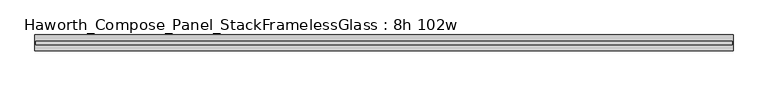
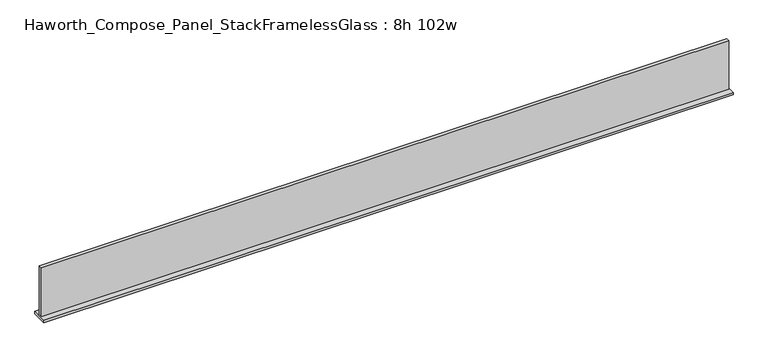
"""IFC4 building model written with IfcOpenShell, lengths in millimetres: furniture geometry, Haworth_Compose_Panel_StackFramelessGlass : 8h 102w."""

import ifcopenshell
import ifcopenshell.guid

model = None  # the IFC model being written
_history = None  # IfcOwnerHistory: only IFC2X3 demands one
_inside = {}  # id of a spatial element -> (the spatial element, [elements in it])
_under = {}  # id of a project, library or spatial element -> (it, [spatial elements below it])
_declared = {}  # id of a project -> (the project, [libraries it declares])
_typed = {}  # id of a type object -> (the type object, [elements of that type])
_made_of = {}  # id of a material, layer set ... -> (it, [elements and type objects made of it])


def new_model(schema):
    """Start an empty IFC model of exactly this schema.

    Asked for "IFC4X3", IfcOpenShell would pick the latest addendum, in which some entities
    have other attributes; the version numbers below select the first issue.
    IFC2X3 requires an IfcOwnerHistory on every rooted entity: one is made here for all.
    """
    global model, _history
    if schema == "IFC4X3":
        model = ifcopenshell.file(schema_version=(4, 3, 0, 0))
    else:
        model = ifcopenshell.file(schema=schema)
    _inside.clear()
    _under.clear()
    _declared.clear()
    _typed.clear()
    _made_of.clear()
    _history = None
    if model.schema == "IFC2X3":
        org = make("IfcOrganization", Name="unknown")
        user = make(
            "IfcPersonAndOrganization",
            ThePerson=make("IfcPerson", FamilyName="unknown"),
            TheOrganization=org,
        )
        app = make(
            "IfcApplication",
            ApplicationDeveloper=org,
            Version="unknown",
            ApplicationFullName="unknown",
            ApplicationIdentifier="unknown",
        )
        _history = make(
            "IfcOwnerHistory",
            OwningUser=user,
            OwningApplication=app,
            ChangeAction="ADDED",
            CreationDate=0,
        )
    return model


def make(cls, **values):
    """One entity of the class cls with the attributes given. An attribute that is None is left unset."""
    return model.create_entity(
        cls, **{name: value for name, value in values.items() if value is not None}
    )


def rooted(cls, **values):
    """An entity with a GlobalId (a new one), such as an element, a storey or a relation."""
    return make(cls, GlobalId=ifcopenshell.guid.new(), OwnerHistory=_history, **values)


def si_unit(unit_type, name, prefix=None):
    """IfcSIUnit, for example si_unit("LENGTHUNIT", "METRE", prefix="MILLI")."""
    return make("IfcSIUnit", UnitType=unit_type, Prefix=prefix, Name=name)


def assignment(units):
    """IfcUnitAssignment: the units of a project."""
    return None if units is None else make("IfcUnitAssignment", Units=units)


def point(xyz):
    """IfcCartesianPoint."""
    return None if xyz is None else make("IfcCartesianPoint", Coordinates=xyz)


def direction(xyz):
    """IfcDirection."""
    return None if xyz is None else make("IfcDirection", DirectionRatios=xyz)


def frame(location, z_axis=None, x_axis=None):
    """IfcAxis2Placement3D, a coordinate frame: its origin and axes. An axis left out is left unset."""
    return make(
        "IfcAxis2Placement3D",
        Location=point(location),
        Axis=direction(z_axis),
        RefDirection=direction(x_axis),
    )


def origin():
    """The frame at (0, 0, 0) with its axes left unset."""
    return frame((0.0, 0.0, 0.0))


def place(relative_to, where):
    """IfcLocalPlacement: puts the frame where relative to a parent placement (None: the world)."""
    return make(
        "IfcLocalPlacement", PlacementRelTo=relative_to, RelativePlacement=where
    )


def context(
    kind, dimensions, precision=None, world=None, true_north=None, identifier=None
):
    """IfcGeometricRepresentationContext, for example the 3D "Model" context."""
    return make(
        "IfcGeometricRepresentationContext",
        ContextIdentifier=identifier,
        ContextType=kind,
        CoordinateSpaceDimension=dimensions,
        Precision=precision,
        WorldCoordinateSystem=world,
        TrueNorth=true_north,
    )


def project(units=None, contexts=None):
    """IfcProject with its units and contexts."""
    return rooted(
        "IfcProject",
        Name="project",
        RepresentationContexts=contexts,
        UnitsInContext=assignment(units),
    )


def spatial(cls, under=None, at=None, **own):
    """A site, building, storey or space (cls), placed at a placement, below another one or the project."""
    s = rooted(cls, ObjectPlacement=at, **own)
    if under is not None:
        _under.setdefault(under.id(), (under, []))[1].append(s)
    return s


def polyline(points):
    """IfcPolyline through the points."""
    return make("IfcPolyline", Points=[point(p) for p in points])


def outline(outer, holes=None, kind="AREA"):
    """IfcArbitraryClosedProfileDef: a profile drawn as a closed curve; with holes, ...WithVoids."""
    if holes is None:
        return make("IfcArbitraryClosedProfileDef", ProfileType=kind, OuterCurve=outer)
    return make(
        "IfcArbitraryProfileDefWithVoids",
        ProfileType=kind,
        OuterCurve=outer,
        InnerCurves=holes,
    )


def extrude(swept, where, along, depth):
    """IfcExtrudedAreaSolid: the profile swept, set in the frame where, extruded along a direction by depth."""
    return make(
        "IfcExtrudedAreaSolid",
        SweptArea=swept,
        Position=where,
        ExtrudedDirection=direction(along),
        Depth=depth,
    )


def shape(context_of_items, identifier, shape_type, items):
    """IfcShapeRepresentation: the items that make up one representation, for example the "Body"."""
    return make(
        "IfcShapeRepresentation",
        ContextOfItems=context_of_items,
        RepresentationIdentifier=identifier,
        RepresentationType=shape_type,
        Items=items,
    )


def source(mapping_origin, context_of_items, identifier, shape_type, items):
    """IfcRepresentationMap: a shape defined once, which mapped items show again and again."""
    return make(
        "IfcRepresentationMap",
        MappingOrigin=mapping_origin,
        MappedRepresentation=shape(context_of_items, identifier, shape_type, items),
    )


def transform(
    local_origin,
    x_axis=None,
    y_axis=None,
    z_axis=None,
    scale=None,
    scale2=None,
    scale3=None,
    uniform=True,
):
    """IfcCartesianTransformationOperator3D, or its non-uniform kind. x_axis, y_axis, z_axis: its Axis1, 2, 3."""
    if uniform:
        return make(
            "IfcCartesianTransformationOperator3D",
            Axis1=direction(x_axis),
            Axis2=direction(y_axis),
            LocalOrigin=point(local_origin),
            Scale=scale,
            Axis3=direction(z_axis),
        )
    return make(
        "IfcCartesianTransformationOperator3DnonUniform",
        Axis1=direction(x_axis),
        Axis2=direction(y_axis),
        LocalOrigin=point(local_origin),
        Scale=scale,
        Axis3=direction(z_axis),
        Scale2=scale2,
        Scale3=scale3,
    )


def mapped(mapping_source, mapping_target):
    """IfcMappedItem: shows the shape of a source again, moved by a transform."""
    return make(
        "IfcMappedItem", MappingSource=mapping_source, MappingTarget=mapping_target
    )


def made_of(thing, what):
    """Note that an element or type object is made of a material, layer set ...; save() writes the relation."""
    if what is not None:
        _made_of.setdefault(what.id(), (what, []))[1].append(thing)
    return thing


def element(
    cls,
    number,
    at=None,
    inside=None,
    cuts=None,
    type_object=None,
    material=None,
    context=None,
    identifier="Body",
    shape_type=None,
    held_by="IfcProductDefinitionShape",
    body=None,
    shapes=None,
    **own,
):
    """One element of the class cls, such as IfcWall. Its Tag is "e" and its number.

    at: its placement. inside: the storey or other place that contains it. cuts: it is an
    opening in that element (IfcRelVoidsElement). A single representation is given by context,
    identifier, shape_type and body (its items); several are given by shapes. held_by: the class
    of the entity that holds the representations. save() writes the other relations.
    """
    e = rooted(cls, Tag="e%d" % number, ObjectPlacement=at, **own)
    if body is not None:
        shapes = [shape(context, identifier, shape_type, body)]
    if shapes is not None:
        e.Representation = make(held_by, Representations=shapes)
    if inside is not None:
        _inside.setdefault(inside.id(), (inside, []))[1].append(e)
    if cuts is not None:
        rooted(
            "IfcRelVoidsElement", RelatingBuildingElement=cuts, RelatedOpeningElement=e
        )
    if type_object is not None:
        _typed.setdefault(type_object.id(), (type_object, []))[1].append(e)
    return made_of(e, material)


def aggregate(whole, parts):
    """IfcRelAggregates: a whole, such as a stair, and the parts it consists of."""
    return rooted("IfcRelAggregates", RelatingObject=whole, RelatedObjects=parts)


def save(model, path):
    """Write the relations noted so far, then the file.

    IfcRelAggregates (storeys below a building ...), IfcRelContainedInSpatialStructure (elements
    in a storey), IfcRelDefinesByType, IfcRelAssociatesMaterial and IfcRelDeclares: one each for
    every whole, place, type object, material and project.
    """
    for whole, parts in _under.values():
        aggregate(whole, parts)
    for where, things in _inside.values():
        rooted(
            "IfcRelContainedInSpatialStructure",
            RelatedElements=things,
            RelatingStructure=where,
        )
    for kind, things in _typed.values():
        rooted("IfcRelDefinesByType", RelatedObjects=things, RelatingType=kind)
    for what, things in _made_of.values():
        rooted("IfcRelAssociatesMaterial", RelatedObjects=things, RelatingMaterial=what)
    for by, libraries in _declared.values():
        rooted("IfcRelDeclares", RelatingContext=by, RelatedDefinitions=libraries)
    model.write(path)


def haworth_compose_panel_stackframelessglass_8h_102w_6656ace4(model_context):
    return source(origin(), model_context, "Body", "SweptSolid", [
        extrude(outline(polyline([(1294.6652902, -27.3093594), (-1289.7847098, -27.3093594), (-1289.7847098, -14.6093594), (1294.6652902, -14.6093594), (1294.6652902, -27.3093594)])), frame((0.0, 0.0, 1279.525), z_axis=(0.0, 0.0, 1.0), x_axis=(1.0, 0.0, 0.0)), (0.0, 0.0, 1.0), 193.675),
        extrude(outline(polyline([(-1292.9597098, -50.3281094), (-1292.9597098, 8.4093906), (1297.8402902, 8.4093906), (1297.8402902, -50.3281094), (-1292.9597098, -50.3281094)])), frame((0.0, 0.0, 1270.0), z_axis=(0.0, 0.0, 1.0), x_axis=(1.0, 0.0, 0.0)), (0.0, 0.0, 1.0), 9.525),
    ])


if __name__ == "__main__":
    model = new_model("IFC4")
    model_context = context("Model", 3, world=origin())
    ifc_project = project(units=[si_unit("LENGTHUNIT", "METRE", prefix="MILLI")], contexts=[model_context])
    site = spatial("IfcSite", under=ifc_project)
    building = spatial("IfcBuilding", under=site)
    placement = place(None, origin())
    haworth_compose_panel_stackframelessglass_8h_102w_shape = haworth_compose_panel_stackframelessglass_8h_102w_6656ace4(model_context)
    element("IfcFurniture", 1, ObjectType="Haworth_Compose_Panel_StackFramelessGlass : 8h 102w", at=placement, inside=building, context=model_context, shape_type="MappedRepresentation", body=[
        mapped(haworth_compose_panel_stackframelessglass_8h_102w_shape, transform((0.0, 0.0, 0.0), x_axis=(1.0, 0.0, 0.0), y_axis=(0.0, 1.0, 0.0), z_axis=(0.0, 0.0, 1.0))),
    ])
    save(model, "model.ifc")
